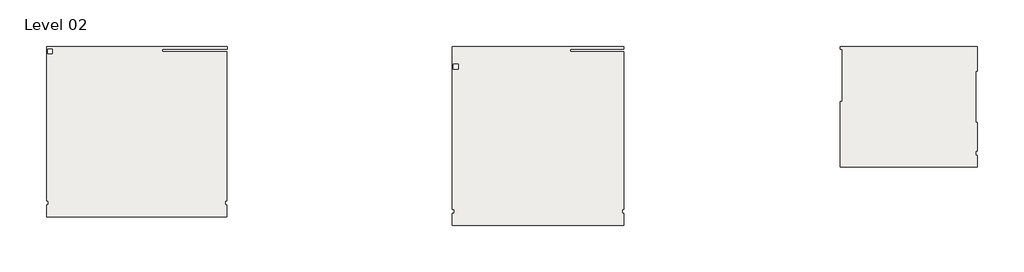
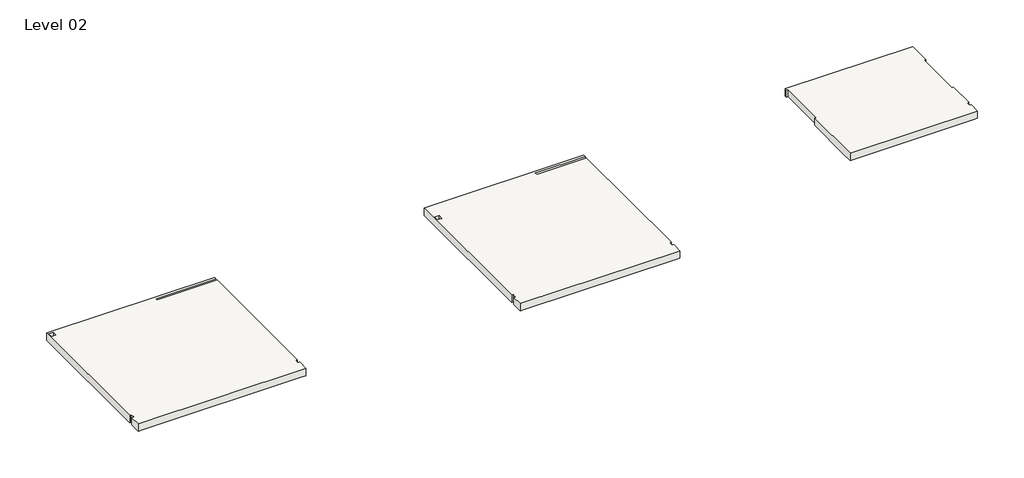
# One storey, part 1 of 2: 3 slabs.
"""IFC4 building model written with IfcOpenShell, lengths in millimetres."""

import ifcopenshell
import ifcopenshell.guid

model = None  # the IFC model being written
_history = None  # IfcOwnerHistory: only IFC2X3 demands one
_inside = {}  # id of a spatial element -> (the spatial element, [elements in it])
_under = {}  # id of a project, library or spatial element -> (it, [spatial elements below it])
_declared = {}  # id of a project -> (the project, [libraries it declares])
_typed = {}  # id of a type object -> (the type object, [elements of that type])
_made_of = {}  # id of a material, layer set ... -> (it, [elements and type objects made of it])


def new_model(schema):
    """Start an empty IFC model of exactly this schema.

    Asked for "IFC4X3", IfcOpenShell would pick the latest addendum, in which some entities
    have other attributes; the version numbers below select the first issue.
    IFC2X3 requires an IfcOwnerHistory on every rooted entity: one is made here for all.
    """
    global model, _history
    if schema == "IFC4X3":
        model = ifcopenshell.file(schema_version=(4, 3, 0, 0))
    else:
        model = ifcopenshell.file(schema=schema)
    _inside.clear()
    _under.clear()
    _declared.clear()
    _typed.clear()
    _made_of.clear()
    _history = None
    if model.schema == "IFC2X3":
        org = make("IfcOrganization", Name="unknown")
        user = make(
            "IfcPersonAndOrganization",
            ThePerson=make("IfcPerson", FamilyName="unknown"),
            TheOrganization=org,
        )
        app = make(
            "IfcApplication",
            ApplicationDeveloper=org,
            Version="unknown",
            ApplicationFullName="unknown",
            ApplicationIdentifier="unknown",
        )
        _history = make(
            "IfcOwnerHistory",
            OwningUser=user,
            OwningApplication=app,
            ChangeAction="ADDED",
            CreationDate=0,
        )
    return model


def make(cls, **values):
    """One entity of the class cls with the attributes given. An attribute that is None is left unset."""
    return model.create_entity(
        cls, **{name: value for name, value in values.items() if value is not None}
    )


def rooted(cls, **values):
    """An entity with a GlobalId (a new one), such as an element, a storey or a relation."""
    return make(cls, GlobalId=ifcopenshell.guid.new(), OwnerHistory=_history, **values)


def si_unit(unit_type, name, prefix=None):
    """IfcSIUnit, for example si_unit("LENGTHUNIT", "METRE", prefix="MILLI")."""
    return make("IfcSIUnit", UnitType=unit_type, Prefix=prefix, Name=name)


def assignment(units):
    """IfcUnitAssignment: the units of a project."""
    return None if units is None else make("IfcUnitAssignment", Units=units)


def point(xyz):
    """IfcCartesianPoint."""
    return None if xyz is None else make("IfcCartesianPoint", Coordinates=xyz)


def direction(xyz):
    """IfcDirection."""
    return None if xyz is None else make("IfcDirection", DirectionRatios=xyz)


def frame(location, z_axis=None, x_axis=None):
    """IfcAxis2Placement3D, a coordinate frame: its origin and axes. An axis left out is left unset."""
    return make(
        "IfcAxis2Placement3D",
        Location=point(location),
        Axis=direction(z_axis),
        RefDirection=direction(x_axis),
    )


def origin():
    """The frame at (0, 0, 0) with its axes left unset."""
    return frame((0.0, 0.0, 0.0))


def place(relative_to, where):
    """IfcLocalPlacement: puts the frame where relative to a parent placement (None: the world)."""
    return make(
        "IfcLocalPlacement", PlacementRelTo=relative_to, RelativePlacement=where
    )


def context(
    kind, dimensions, precision=None, world=None, true_north=None, identifier=None
):
    """IfcGeometricRepresentationContext, for example the 3D "Model" context."""
    return make(
        "IfcGeometricRepresentationContext",
        ContextIdentifier=identifier,
        ContextType=kind,
        CoordinateSpaceDimension=dimensions,
        Precision=precision,
        WorldCoordinateSystem=world,
        TrueNorth=true_north,
    )


def project(units=None, contexts=None):
    """IfcProject with its units and contexts."""
    return rooted(
        "IfcProject",
        Name="project",
        RepresentationContexts=contexts,
        UnitsInContext=assignment(units),
    )


def spatial(cls, under=None, at=None, **own):
    """A site, building, storey or space (cls), placed at a placement, below another one or the project."""
    s = rooted(cls, ObjectPlacement=at, **own)
    if under is not None:
        _under.setdefault(under.id(), (under, []))[1].append(s)
    return s


def faces_of(points, faces, orient=None, outer=None):
    """IfcFace entities. A face is a list of loops; a loop is a list of indices into points, from 0.

    orient and outer hold one flag for each loop. By default every Orientation is true, the
    first loop of a face is its IfcFaceOuterBound and the others are IfcFaceBound.
    """
    made = []
    for i, loops in enumerate(faces):
        bounds = []
        for j, loop in enumerate(loops):
            is_outer = j == 0 if outer is None else outer[i][j]
            bounds.append(
                make(
                    "IfcFaceOuterBound" if is_outer else "IfcFaceBound",
                    Bound=make("IfcPolyLoop", Polygon=[points[k] for k in loop]),
                    Orientation=True if orient is None else orient[i][j],
                )
            )
        made.append(make("IfcFace", Bounds=bounds))
    return made


def faceted_brep(points, faces, orient=None, outer=None, voids=None):
    """IfcFacetedBrep: a solid bounded by flat faces; with voids (closed shells), ...WithVoids."""
    shared = [point(p) for p in points]
    hull = make("IfcClosedShell", CfsFaces=faces_of(shared, faces, orient, outer))
    if voids is None:
        return make("IfcFacetedBrep", Outer=hull)
    return make(
        "IfcFacetedBrepWithVoids",
        Outer=hull,
        Voids=[
            make(cls, CfsFaces=faces_of(shared, fs, o, b)) for cls, fs, o, b in voids
        ],
    )


def shape(context_of_items, identifier, shape_type, items):
    """IfcShapeRepresentation: the items that make up one representation, for example the "Body"."""
    return make(
        "IfcShapeRepresentation",
        ContextOfItems=context_of_items,
        RepresentationIdentifier=identifier,
        RepresentationType=shape_type,
        Items=items,
    )


def made_of(thing, what):
    """Note that an element or type object is made of a material, layer set ...; save() writes the relation."""
    if what is not None:
        _made_of.setdefault(what.id(), (what, []))[1].append(thing)
    return thing


def element(
    cls,
    number,
    at=None,
    inside=None,
    cuts=None,
    type_object=None,
    material=None,
    context=None,
    identifier="Body",
    shape_type=None,
    held_by="IfcProductDefinitionShape",
    body=None,
    shapes=None,
    **own,
):
    """One element of the class cls, such as IfcWall. Its Tag is "e" and its number.

    at: its placement. inside: the storey or other place that contains it. cuts: it is an
    opening in that element (IfcRelVoidsElement). A single representation is given by context,
    identifier, shape_type and body (its items); several are given by shapes. held_by: the class
    of the entity that holds the representations. save() writes the other relations.
    """
    e = rooted(cls, Tag="e%d" % number, ObjectPlacement=at, **own)
    if body is not None:
        shapes = [shape(context, identifier, shape_type, body)]
    if shapes is not None:
        e.Representation = make(held_by, Representations=shapes)
    if inside is not None:
        _inside.setdefault(inside.id(), (inside, []))[1].append(e)
    if cuts is not None:
        rooted(
            "IfcRelVoidsElement", RelatingBuildingElement=cuts, RelatedOpeningElement=e
        )
    if type_object is not None:
        _typed.setdefault(type_object.id(), (type_object, []))[1].append(e)
    return made_of(e, material)


def aggregate(whole, parts):
    """IfcRelAggregates: a whole, such as a stair, and the parts it consists of."""
    return rooted("IfcRelAggregates", RelatingObject=whole, RelatedObjects=parts)


def save(model, path):
    """Write the relations noted so far, then the file.

    IfcRelAggregates (storeys below a building ...), IfcRelContainedInSpatialStructure (elements
    in a storey), IfcRelDefinesByType, IfcRelAssociatesMaterial and IfcRelDeclares: one each for
    every whole, place, type object, material and project.
    """
    for whole, parts in _under.values():
        aggregate(whole, parts)
    for where, things in _inside.values():
        rooted(
            "IfcRelContainedInSpatialStructure",
            RelatedElements=things,
            RelatingStructure=where,
        )
    for kind, things in _typed.values():
        rooted("IfcRelDefinesByType", RelatedObjects=things, RelatingType=kind)
    for what, things in _made_of.values():
        rooted("IfcRelAssociatesMaterial", RelatedObjects=things, RelatingMaterial=what)
    for by, libraries in _declared.values():
        rooted("IfcRelDeclares", RelatingContext=by, RelatedDefinitions=libraries)
    model.write(path)


model = new_model("IFC4")

# Units and contexts
model_context = context("Model", 3, world=origin())
ifc_project = project(units=[si_unit("LENGTHUNIT", "METRE", prefix="MILLI")], contexts=[model_context])

# Site, building, storey
site = spatial("IfcSite", under=ifc_project)
building = spatial("IfcBuilding", under=site)
storey = spatial("IfcBuildingStorey", under=building, Name="Level 02", Elevation=3860.8)

# Slabs
placement = place(None, origin())
element("IfcSlab", 1, ObjectType="Generic - 24\"", at=placement, inside=storey, context=model_context, shape_type="Brep", body=[
    faceted_brep([(-25390.1621132, 33416.5004512, 3515.8), (-25390.1621132, 39802.3254512, 3515.8), (-17923.609046, 39802.3254512, 3515.8), (-17923.609046, 39694.3754512, 3515.8), (-20600.134046, 39694.3754512, 3515.8), (-20600.134046, 39592.7754512, 3515.8), (-17931.546546, 39592.7754512, 3515.8), (-17931.546546, 33416.5004512, 3515.8), (-18007.0506364, 33416.5004512, 3515.8), (-18007.0506364, 33238.1004512, 3515.8), (-17931.546546, 33238.1004512, 3515.8), (-17931.546546, 32755.1004512, 3515.8), (-18115.0006364, 32755.1004512, 3515.8), (-25206.7080229, 32755.1004512, 3515.8), (-25390.1621132, 32755.1004512, 3515.8), (-25390.1621132, 33238.1004512, 3515.8), (-25314.6580229, 33238.1004512, 3515.8), (-25314.6580229, 33416.5004512, 3515.8), (-25147.2746132, 39497.5254512, 3515.8), (-25147.2746132, 39694.3754512, 3515.8), (-25344.1246132, 39694.3754512, 3515.8), (-25344.1246132, 39497.5254512, 3515.8), (-25390.1621132, 33416.5004512, 3860.8), (-25314.6580229, 33416.5004512, 3860.8), (-25314.6580229, 33238.1004512, 3860.8), (-25390.1621132, 33238.1004512, 3860.8), (-25390.1621132, 32755.1004512, 3860.8), (-17931.546546, 32755.1004512, 3860.8), (-17931.546546, 33238.1004512, 3860.8), (-18007.0506364, 33238.1004512, 3860.8), (-18007.0506364, 33416.5004512, 3860.8), (-17931.546546, 33416.5004512, 3860.8), (-17931.546546, 39592.7754512, 3860.8), (-20600.134046, 39592.7754512, 3860.8), (-20600.134046, 39694.3754512, 3860.8), (-17923.609046, 39694.3754512, 3860.8), (-17923.609046, 39802.3254512, 3860.8), (-25390.1621132, 39802.3254512, 3860.8), (-25147.2746132, 39497.5254512, 3860.8), (-25344.1246132, 39497.5254512, 3860.8), (-25344.1246132, 39694.3754512, 3860.8), (-25147.2746132, 39694.3754512, 3860.8), (-17931.546546, 32755.1004512, 3860.0), (-25390.1621132, 32755.1004512, 3860.0)], [[[0, 1, 2, 3, 4, 5, 6, 7, 8, 9, 10, 11, 12, 13, 14, 15, 16, 17], [18, 19, 20, 21]], [[22, 23, 24, 25, 26, 27, 28, 29, 30, 31, 32, 33, 34, 35, 36, 37], [38, 39, 40, 41]], [[1, 0, 22, 37]], [[2, 1, 37, 36]], [[3, 2, 36, 35]], [[4, 3, 35, 34]], [[5, 4, 34, 33]], [[6, 5, 33, 32]], [[7, 6, 32, 31]], [[8, 7, 31, 30]], [[9, 8, 30, 29]], [[10, 9, 29, 28]], [[11, 10, 28, 27, 42]], [[14, 13, 12, 11, 42, 27, 26, 43]], [[15, 14, 43, 26, 25]], [[16, 15, 25, 24]], [[17, 16, 24, 23]], [[0, 17, 23, 22]], [[19, 18, 38, 41]], [[20, 19, 41, 40]], [[21, 20, 40, 39]], [[18, 21, 39, 38]]]),
])
element("IfcSlab", 2, ObjectType="Generic - 24\"", at=placement, inside=storey, context=model_context, shape_type="Brep", body=[
    faceted_brep([(-1522.7472353, 32397.7023911, 3515.8), (-1706.2013257, 32397.7023911, 3515.8), (-8431.4271796, 32397.7023911, 3515.8), (-8614.88127, 32397.7023911, 3515.8), (-8614.88127, 32880.7023911, 3515.8), (-8539.3771796, 32880.7023911, 3515.8), (-8539.3771796, 33059.1023911, 3515.8), (-8614.88127, 33059.1023911, 3515.8), (-8614.88127, 39802.3254512, 3515.8), (-1522.7472353, 39802.3254512, 3515.8), (-1522.7472353, 39694.3754512, 3515.8), (-3734.1347353, 39694.3754512, 3515.8), (-3734.1347353, 39592.7754512, 3515.8), (-1522.7472353, 39592.7754512, 3515.8), (-1522.7472353, 33059.1023911, 3515.8), (-1598.2513257, 33059.1023911, 3515.8), (-1598.2513257, 32880.7023911, 3515.8), (-1522.7472353, 32880.7023911, 3515.8), (-8568.84377, 38872.0504512, 3515.8), (-8371.99377, 38872.0504512, 3515.8), (-8371.99377, 39068.9004512, 3515.8), (-8568.84377, 39068.9004512, 3515.8), (-1522.7472353, 32397.7023911, 3860.8), (-1522.7472353, 32880.7023911, 3860.8), (-1598.2513257, 32880.7023911, 3860.8), (-1598.2513257, 33059.1023911, 3860.8), (-1522.7472353, 33059.1023911, 3860.8), (-1522.7472353, 39592.7754512, 3860.8), (-3734.1347353, 39592.7754512, 3860.8), (-3734.1347353, 39694.3754512, 3860.8), (-1522.7472353, 39694.3754512, 3860.8), (-1522.7472353, 39802.3254512, 3860.8), (-8614.88127, 39802.3254512, 3860.8), (-8614.88127, 33059.1023911, 3860.8), (-8539.3771796, 33059.1023911, 3860.8), (-8539.3771796, 32880.7023911, 3860.8), (-8614.88127, 32880.7023911, 3860.8), (-8614.88127, 32397.7023911, 3860.8), (-8568.84377, 38872.0504512, 3860.8), (-8568.84377, 39068.9004512, 3860.8), (-8371.99377, 39068.9004512, 3860.8), (-8371.99377, 38872.0504512, 3860.8), (-1522.7472353, 32397.7023911, 3860.0), (-8614.88127, 32397.7023911, 3860.0)], [[[0, 1, 2, 3, 4, 5, 6, 7, 8, 9, 10, 11, 12, 13, 14, 15, 16, 17], [18, 19, 20, 21]], [[22, 23, 24, 25, 26, 27, 28, 29, 30, 31, 32, 33, 34, 35, 36, 37], [38, 39, 40, 41]], [[3, 2, 1, 0, 42, 22, 37, 43]], [[4, 3, 43, 37, 36]], [[5, 4, 36, 35]], [[6, 5, 35, 34]], [[7, 6, 34, 33]], [[8, 7, 33, 32]], [[9, 8, 32, 31]], [[10, 9, 31, 30]], [[11, 10, 30, 29]], [[12, 11, 29, 28]], [[13, 12, 28, 27]], [[14, 13, 27, 26]], [[15, 14, 26, 25]], [[16, 15, 25, 24]], [[17, 16, 24, 23]], [[0, 17, 23, 22, 42]], [[19, 18, 38, 41]], [[20, 19, 41, 40]], [[21, 20, 40, 39]], [[18, 21, 39, 38]]]),
])
element("IfcSlab", 3, ObjectType="Generic - 24\"", at=placement, inside=storey, context=model_context, shape_type="Brep", body=[
    faceted_brep([(7429.6976331, 34803.8754512, 3515.8), (7429.6976331, 35312.8754512, 3515.8), (7429.6976331, 37529.0254512, 3515.8), (7505.8976331, 37529.0254512, 3515.8), (7505.8976331, 39694.3754512, 3515.8), (7429.6976331, 39694.3754512, 3515.8), (7429.6976331, 39802.3254512, 3515.8), (13093.0318324, 39802.3254512, 3515.8), (13093.0318324, 38783.1504512, 3515.8), (13016.8318324, 38783.1504512, 3515.8), (13016.8318324, 36662.2504512, 3515.8), (13093.0318324, 36662.2504512, 3515.8), (13093.0318324, 35471.2754512, 3515.8), (13017.5277421, 35471.2754512, 3515.8), (13017.5277421, 35286.8754512, 3515.8), (13093.0318324, 35286.8754512, 3515.8), (13093.0318324, 34803.8754512, 3515.8), (12909.5777421, 34803.8754512, 3515.8), (7429.6976331, 34803.8754512, 3860.8), (13093.0318324, 34803.8754512, 3860.8), (13093.0318324, 35286.8754512, 3860.8), (13017.5277421, 35286.8754512, 3860.8), (13017.5277421, 35471.2754512, 3860.8), (13093.0318324, 35471.2754512, 3860.8), (13093.0318324, 36662.2504512, 3860.8), (13016.8318324, 36662.2504512, 3860.8), (13016.8318324, 38783.1504512, 3860.8), (13093.0318324, 38783.1504512, 3860.8), (13093.0318324, 39802.3254512, 3860.8), (7429.6976331, 39802.3254512, 3860.8), (7429.6976331, 39694.3754512, 3860.8), (7505.8976331, 39694.3754512, 3860.8), (7505.8976331, 37529.0254512, 3860.8), (7429.6976331, 37529.0254512, 3860.8), (7429.6976331, 34803.8754512, 3860.0), (13093.0318324, 34803.8754512, 3860.0)], [[[0, 1, 2, 3, 4, 5, 6, 7, 8, 9, 10, 11, 12, 13, 14, 15, 16, 17]], [[18, 19, 20, 21, 22, 23, 24, 25, 26, 27, 28, 29, 30, 31, 32, 33]], [[2, 1, 0, 34, 18, 33]], [[3, 2, 33, 32]], [[4, 3, 32, 31]], [[5, 4, 31, 30]], [[6, 5, 30, 29]], [[7, 6, 29, 28]], [[8, 7, 28, 27]], [[9, 8, 27, 26]], [[10, 9, 26, 25]], [[11, 10, 25, 24]], [[12, 11, 24, 23]], [[13, 12, 23, 22]], [[14, 13, 22, 21]], [[15, 14, 21, 20]], [[16, 15, 20, 19, 35]], [[0, 17, 16, 35, 19, 18, 34]]]),
])

save(model, "model.ifc")
